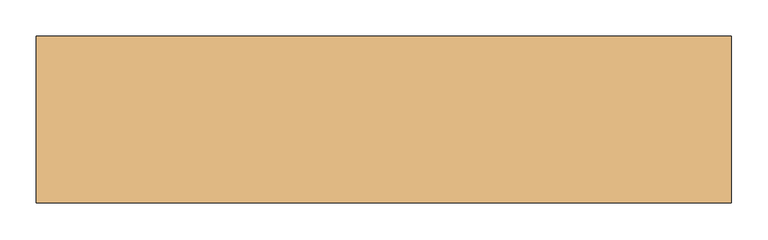
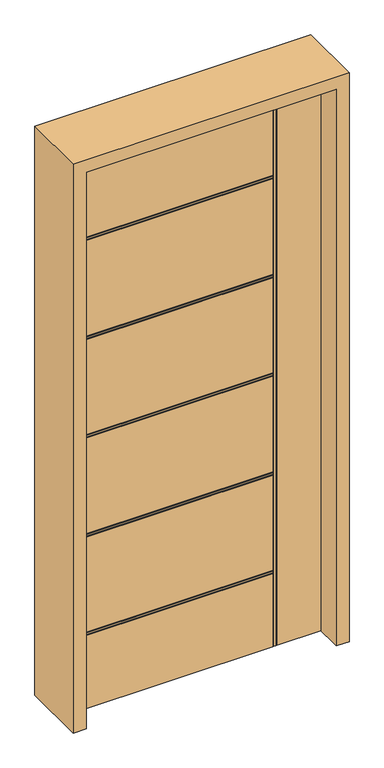
"""IFC4 building model written with IfcOpenShell, lengths in millimetres: door geometry."""

import ifcopenshell
import ifcopenshell.guid

model = None  # the IFC model being written
_history = None  # IfcOwnerHistory: only IFC2X3 demands one
_inside = {}  # id of a spatial element -> (the spatial element, [elements in it])
_under = {}  # id of a project, library or spatial element -> (it, [spatial elements below it])
_declared = {}  # id of a project -> (the project, [libraries it declares])
_typed = {}  # id of a type object -> (the type object, [elements of that type])
_made_of = {}  # id of a material, layer set ... -> (it, [elements and type objects made of it])


def new_model(schema):
    """Start an empty IFC model of exactly this schema.

    Asked for "IFC4X3", IfcOpenShell would pick the latest addendum, in which some entities
    have other attributes; the version numbers below select the first issue.
    IFC2X3 requires an IfcOwnerHistory on every rooted entity: one is made here for all.
    """
    global model, _history
    if schema == "IFC4X3":
        model = ifcopenshell.file(schema_version=(4, 3, 0, 0))
    else:
        model = ifcopenshell.file(schema=schema)
    _inside.clear()
    _under.clear()
    _declared.clear()
    _typed.clear()
    _made_of.clear()
    _history = None
    if model.schema == "IFC2X3":
        org = make("IfcOrganization", Name="unknown")
        user = make(
            "IfcPersonAndOrganization",
            ThePerson=make("IfcPerson", FamilyName="unknown"),
            TheOrganization=org,
        )
        app = make(
            "IfcApplication",
            ApplicationDeveloper=org,
            Version="unknown",
            ApplicationFullName="unknown",
            ApplicationIdentifier="unknown",
        )
        _history = make(
            "IfcOwnerHistory",
            OwningUser=user,
            OwningApplication=app,
            ChangeAction="ADDED",
            CreationDate=0,
        )
    return model


def make(cls, **values):
    """One entity of the class cls with the attributes given. An attribute that is None is left unset."""
    return model.create_entity(
        cls, **{name: value for name, value in values.items() if value is not None}
    )


def rooted(cls, **values):
    """An entity with a GlobalId (a new one), such as an element, a storey or a relation."""
    return make(cls, GlobalId=ifcopenshell.guid.new(), OwnerHistory=_history, **values)


def si_unit(unit_type, name, prefix=None):
    """IfcSIUnit, for example si_unit("LENGTHUNIT", "METRE", prefix="MILLI")."""
    return make("IfcSIUnit", UnitType=unit_type, Prefix=prefix, Name=name)


def assignment(units):
    """IfcUnitAssignment: the units of a project."""
    return None if units is None else make("IfcUnitAssignment", Units=units)


def point(xyz):
    """IfcCartesianPoint."""
    return None if xyz is None else make("IfcCartesianPoint", Coordinates=xyz)


def direction(xyz):
    """IfcDirection."""
    return None if xyz is None else make("IfcDirection", DirectionRatios=xyz)


def frame(location, z_axis=None, x_axis=None):
    """IfcAxis2Placement3D, a coordinate frame: its origin and axes. An axis left out is left unset."""
    return make(
        "IfcAxis2Placement3D",
        Location=point(location),
        Axis=direction(z_axis),
        RefDirection=direction(x_axis),
    )


def origin():
    """The frame at (0, 0, 0) with its axes left unset."""
    return frame((0.0, 0.0, 0.0))


def place(relative_to, where):
    """IfcLocalPlacement: puts the frame where relative to a parent placement (None: the world)."""
    return make(
        "IfcLocalPlacement", PlacementRelTo=relative_to, RelativePlacement=where
    )


def context(
    kind, dimensions, precision=None, world=None, true_north=None, identifier=None
):
    """IfcGeometricRepresentationContext, for example the 3D "Model" context."""
    return make(
        "IfcGeometricRepresentationContext",
        ContextIdentifier=identifier,
        ContextType=kind,
        CoordinateSpaceDimension=dimensions,
        Precision=precision,
        WorldCoordinateSystem=world,
        TrueNorth=true_north,
    )


def project(units=None, contexts=None):
    """IfcProject with its units and contexts."""
    return rooted(
        "IfcProject",
        Name="project",
        RepresentationContexts=contexts,
        UnitsInContext=assignment(units),
    )


def spatial(cls, under=None, at=None, **own):
    """A site, building, storey or space (cls), placed at a placement, below another one or the project."""
    s = rooted(cls, ObjectPlacement=at, **own)
    if under is not None:
        _under.setdefault(under.id(), (under, []))[1].append(s)
    return s


def polyline(points):
    """IfcPolyline through the points."""
    return make("IfcPolyline", Points=[point(p) for p in points])


def outline(outer, holes=None, kind="AREA"):
    """IfcArbitraryClosedProfileDef: a profile drawn as a closed curve; with holes, ...WithVoids."""
    if holes is None:
        return make("IfcArbitraryClosedProfileDef", ProfileType=kind, OuterCurve=outer)
    return make(
        "IfcArbitraryProfileDefWithVoids",
        ProfileType=kind,
        OuterCurve=outer,
        InnerCurves=holes,
    )


def extrude(swept, where, along, depth):
    """IfcExtrudedAreaSolid: the profile swept, set in the frame where, extruded along a direction by depth."""
    return make(
        "IfcExtrudedAreaSolid",
        SweptArea=swept,
        Position=where,
        ExtrudedDirection=direction(along),
        Depth=depth,
    )


def faces_of(points, faces, orient=None, outer=None):
    """IfcFace entities. A face is a list of loops; a loop is a list of indices into points, from 0.

    orient and outer hold one flag for each loop. By default every Orientation is true, the
    first loop of a face is its IfcFaceOuterBound and the others are IfcFaceBound.
    """
    made = []
    for i, loops in enumerate(faces):
        bounds = []
        for j, loop in enumerate(loops):
            is_outer = j == 0 if outer is None else outer[i][j]
            bounds.append(
                make(
                    "IfcFaceOuterBound" if is_outer else "IfcFaceBound",
                    Bound=make("IfcPolyLoop", Polygon=[points[k] for k in loop]),
                    Orientation=True if orient is None else orient[i][j],
                )
            )
        made.append(make("IfcFace", Bounds=bounds))
    return made


def faceted_brep(points, faces, orient=None, outer=None, voids=None):
    """IfcFacetedBrep: a solid bounded by flat faces; with voids (closed shells), ...WithVoids."""
    shared = [point(p) for p in points]
    hull = make("IfcClosedShell", CfsFaces=faces_of(shared, faces, orient, outer))
    if voids is None:
        return make("IfcFacetedBrep", Outer=hull)
    return make(
        "IfcFacetedBrepWithVoids",
        Outer=hull,
        Voids=[
            make(cls, CfsFaces=faces_of(shared, fs, o, b)) for cls, fs, o, b in voids
        ],
    )


def shape(context_of_items, identifier, shape_type, items):
    """IfcShapeRepresentation: the items that make up one representation, for example the "Body"."""
    return make(
        "IfcShapeRepresentation",
        ContextOfItems=context_of_items,
        RepresentationIdentifier=identifier,
        RepresentationType=shape_type,
        Items=items,
    )


def source(mapping_origin, context_of_items, identifier, shape_type, items):
    """IfcRepresentationMap: a shape defined once, which mapped items show again and again."""
    return make(
        "IfcRepresentationMap",
        MappingOrigin=mapping_origin,
        MappedRepresentation=shape(context_of_items, identifier, shape_type, items),
    )


def transform(
    local_origin,
    x_axis=None,
    y_axis=None,
    z_axis=None,
    scale=None,
    scale2=None,
    scale3=None,
    uniform=True,
):
    """IfcCartesianTransformationOperator3D, or its non-uniform kind. x_axis, y_axis, z_axis: its Axis1, 2, 3."""
    if uniform:
        return make(
            "IfcCartesianTransformationOperator3D",
            Axis1=direction(x_axis),
            Axis2=direction(y_axis),
            LocalOrigin=point(local_origin),
            Scale=scale,
            Axis3=direction(z_axis),
        )
    return make(
        "IfcCartesianTransformationOperator3DnonUniform",
        Axis1=direction(x_axis),
        Axis2=direction(y_axis),
        LocalOrigin=point(local_origin),
        Scale=scale,
        Axis3=direction(z_axis),
        Scale2=scale2,
        Scale3=scale3,
    )


def mapped(mapping_source, mapping_target):
    """IfcMappedItem: shows the shape of a source again, moved by a transform."""
    return make(
        "IfcMappedItem", MappingSource=mapping_source, MappingTarget=mapping_target
    )


def made_of(thing, what):
    """Note that an element or type object is made of a material, layer set ...; save() writes the relation."""
    if what is not None:
        _made_of.setdefault(what.id(), (what, []))[1].append(thing)
    return thing


def element(
    cls,
    number,
    at=None,
    inside=None,
    cuts=None,
    type_object=None,
    material=None,
    context=None,
    identifier="Body",
    shape_type=None,
    held_by="IfcProductDefinitionShape",
    body=None,
    shapes=None,
    **own,
):
    """One element of the class cls, such as IfcWall. Its Tag is "e" and its number.

    at: its placement. inside: the storey or other place that contains it. cuts: it is an
    opening in that element (IfcRelVoidsElement). A single representation is given by context,
    identifier, shape_type and body (its items); several are given by shapes. held_by: the class
    of the entity that holds the representations. save() writes the other relations.
    """
    e = rooted(cls, Tag="e%d" % number, ObjectPlacement=at, **own)
    if body is not None:
        shapes = [shape(context, identifier, shape_type, body)]
    if shapes is not None:
        e.Representation = make(held_by, Representations=shapes)
    if inside is not None:
        _inside.setdefault(inside.id(), (inside, []))[1].append(e)
    if cuts is not None:
        rooted(
            "IfcRelVoidsElement", RelatingBuildingElement=cuts, RelatedOpeningElement=e
        )
    if type_object is not None:
        _typed.setdefault(type_object.id(), (type_object, []))[1].append(e)
    return made_of(e, material)


def aggregate(whole, parts):
    """IfcRelAggregates: a whole, such as a stair, and the parts it consists of."""
    return rooted("IfcRelAggregates", RelatingObject=whole, RelatedObjects=parts)


def save(model, path):
    """Write the relations noted so far, then the file.

    IfcRelAggregates (storeys below a building ...), IfcRelContainedInSpatialStructure (elements
    in a storey), IfcRelDefinesByType, IfcRelAssociatesMaterial and IfcRelDeclares: one each for
    every whole, place, type object, material and project.
    """
    for whole, parts in _under.values():
        aggregate(whole, parts)
    for where, things in _inside.values():
        rooted(
            "IfcRelContainedInSpatialStructure",
            RelatedElements=things,
            RelatingStructure=where,
        )
    for kind, things in _typed.values():
        rooted("IfcRelDefinesByType", RelatedObjects=things, RelatingType=kind)
    for what, things in _made_of.values():
        rooted("IfcRelAssociatesMaterial", RelatedObjects=things, RelatingMaterial=what)
    for by, libraries in _declared.values():
        rooted("IfcRelDeclares", RelatingContext=by, RelatedDefinitions=libraries)
    model.write(path)


def door_f2bb6a2e(model_context):
    return source(origin(), model_context, "Body", "SolidModel", [
        faceted_brep([(-431.8, 22.225, 0.0), (266.7, 22.225, 0.0), (266.7, 18.923, 0.0), (270.002, 18.923, 0.0), (270.002, 22.225, 0.0), (276.098, 22.225, 0.0), (276.098, 18.923, 0.0), (279.4, 18.923, 0.0), (279.4, 22.225, 0.0), (431.8, 22.225, 0.0), (431.8, -22.225, 0.0), (279.4, -22.225, 0.0), (279.4, -18.923, 0.0), (276.098, -18.923, 0.0), (276.098, -22.225, 0.0), (270.002, -22.225, 0.0), (270.002, -18.923, 0.0), (266.7, -18.923, 0.0), (266.7, -22.225, 0.0), (-431.8, -22.225, 0.0), (-431.8, 22.225, 2032.0), (-431.8, 22.225, 1719.838), (-431.8, 18.923, 1719.838), (-431.8, 18.923, 1716.536), (-431.8, 22.225, 1716.536), (-431.8, 22.225, 1710.44), (-431.8, 18.923, 1710.44), (-431.8, 18.923, 1707.138), (-431.8, 22.225, 1707.138), (-431.8, 22.225, 1359.412), (-431.8, 18.923, 1359.412), (-431.8, 18.923, 1356.11), (-431.8, 22.225, 1356.11), (-431.8, 22.225, 1350.014), (-431.8, 18.923, 1350.014), (-431.8, 18.923, 1346.712), (-431.8, 22.225, 1346.712), (-431.8, 22.225, 998.986), (-431.8, 18.923, 998.986), (-431.8, 18.923, 995.684), (-431.8, 22.225, 995.684), (-431.8, 22.225, 989.588), (-431.8, 18.923, 989.588), (-431.8, 18.923, 986.286), (-431.8, 22.225, 986.286), (-431.8, 22.225, 638.56), (-431.8, 18.923, 638.56), (-431.8, 18.923, 635.258), (-431.8, 22.225, 635.258), (-431.8, 22.225, 629.162), (-431.8, 18.923, 629.162), (-431.8, 18.923, 625.86), (-431.8, 22.225, 625.86), (-431.8, 22.225, 278.134), (-431.8, 18.923, 278.134), (-431.8, 18.923, 274.832), (-431.8, 22.225, 274.832), (-431.8, 22.225, 268.736), (-431.8, 18.923, 268.736), (-431.8, 18.923, 265.434), (-431.8, 22.225, 265.434), (-431.8, -22.225, 265.434), (-431.8, -18.923, 265.434), (-431.8, -18.923, 268.736), (-431.8, -22.225, 268.736), (-431.8, -22.225, 274.832), (-431.8, -18.923, 274.832), (-431.8, -18.923, 278.134), (-431.8, -22.225, 278.134), (-431.8, -22.225, 625.86), (-431.8, -18.923, 625.86), (-431.8, -18.923, 629.162), (-431.8, -22.225, 629.162), (-431.8, -22.225, 635.258), (-431.8, -18.923, 635.258), (-431.8, -18.923, 638.56), (-431.8, -22.225, 638.56), (-431.8, -22.225, 986.286), (-431.8, -18.923, 986.286), (-431.8, -18.923, 989.588), (-431.8, -22.225, 989.588), (-431.8, -22.225, 995.684), (-431.8, -18.923, 995.684), (-431.8, -18.923, 998.986), (-431.8, -22.225, 998.986), (-431.8, -22.225, 1346.712), (-431.8, -18.923, 1346.712), (-431.8, -18.923, 1350.014), (-431.8, -22.225, 1350.014), (-431.8, -22.225, 1356.11), (-431.8, -18.923, 1356.11), (-431.8, -18.923, 1359.412), (-431.8, -22.225, 1359.412), (-431.8, -22.225, 1707.138), (-431.8, -18.923, 1707.138), (-431.8, -18.923, 1710.44), (-431.8, -22.225, 1710.44), (-431.8, -22.225, 1716.536), (-431.8, -18.923, 1716.536), (-431.8, -18.923, 1719.838), (-431.8, -22.225, 1719.838), (-431.8, -22.225, 2032.0), (266.7, -22.225, 1719.838), (266.7, -22.225, 2032.0), (266.7, -22.225, 265.434), (266.7, -22.225, 998.986), (266.7, -22.225, 1346.712), (266.7, -22.225, 989.588), (266.7, -22.225, 995.684), (266.7, -22.225, 638.56), (266.7, -22.225, 986.286), (266.7, -22.225, 629.162), (266.7, -22.225, 635.258), (266.7, -22.225, 278.134), (266.7, -22.225, 625.86), (266.7, -22.225, 268.736), (266.7, -22.225, 274.832), (270.002, -22.225, 2032.0), (276.098, -22.225, 2032.0), (266.7, -22.225, 1710.44), (266.7, -22.225, 1716.536), (266.7, -22.225, 1350.014), (266.7, -22.225, 1356.11), (266.7, -22.225, 1359.412), (266.7, -22.225, 1707.138), (431.8, -22.225, 2032.0), (279.4, -22.225, 2032.0), (431.8, 22.225, 2032.0), (279.4, 22.225, 2032.0), (266.7, 22.225, 265.434), (266.7, 22.225, 274.832), (266.7, 22.225, 268.736), (266.7, 22.225, 625.86), (266.7, 22.225, 278.134), (266.7, 22.225, 635.258), (266.7, 22.225, 629.162), (266.7, 22.225, 986.286), (266.7, 22.225, 638.56), (266.7, 22.225, 995.684), (266.7, 22.225, 989.588), (266.7, 22.225, 1346.712), (266.7, 22.225, 998.986), (266.7, 22.225, 2032.0), (266.7, 22.225, 1719.838), (276.098, 22.225, 2032.0), (270.002, 22.225, 2032.0), (266.7, 22.225, 1716.536), (266.7, 22.225, 1710.44), (266.7, 22.225, 1356.11), (266.7, 22.225, 1350.014), (266.7, 22.225, 1707.138), (266.7, 22.225, 1359.412), (279.4, 18.923, 2032.0), (276.098, 18.923, 2032.0), (270.002, 18.923, 2032.0), (266.7, 18.923, 2032.0), (266.7, -18.923, 2032.0), (270.002, -18.923, 2032.0), (276.098, -18.923, 2032.0), (279.4, -18.923, 2032.0), (266.7, -18.923, 265.434), (266.7, -18.923, 1719.838), (266.7, -18.923, 1716.536), (266.7, -18.923, 1710.44), (266.7, -18.923, 1707.138), (266.7, -18.923, 1359.412), (266.7, -18.923, 1356.11), (266.7, -18.923, 1350.014), (266.7, -18.923, 1346.712), (266.7, -18.923, 998.986), (266.7, -18.923, 995.684), (266.7, -18.923, 989.588), (266.7, -18.923, 986.286), (266.7, -18.923, 638.56), (266.7, -18.923, 635.258), (266.7, -18.923, 629.162), (266.7, -18.923, 625.86), (266.7, -18.923, 278.134), (266.7, -18.923, 274.832), (266.7, -18.923, 268.736), (266.7, 18.923, 265.434), (266.7, 18.923, 268.736), (266.7, 18.923, 274.832), (266.7, 18.923, 278.134), (266.7, 18.923, 625.86), (266.7, 18.923, 629.162), (266.7, 18.923, 635.258), (266.7, 18.923, 638.56), (266.7, 18.923, 986.286), (266.7, 18.923, 989.588), (266.7, 18.923, 995.684), (266.7, 18.923, 998.986), (266.7, 18.923, 1346.712), (266.7, 18.923, 1350.014), (266.7, 18.923, 1356.11), (266.7, 18.923, 1359.412), (266.7, 18.923, 1707.138), (266.7, 18.923, 1710.44), (266.7, 18.923, 1716.536), (266.7, 18.923, 1719.838)], [[[0, 1, 2, 3, 4, 5, 6, 7, 8, 9, 10, 11, 12, 13, 14, 15, 16, 17, 18, 19]], [[20, 21, 22, 23, 24, 25, 26, 27, 28, 29, 30, 31, 32, 33, 34, 35, 36, 37, 38, 39, 40, 41, 42, 43, 44, 45, 46, 47, 48, 49, 50, 51, 52, 53, 54, 55, 56, 57, 58, 59, 60, 0, 19, 61, 62, 63, 64, 65, 66, 67, 68, 69, 70, 71, 72, 73, 74, 75, 76, 77, 78, 79, 80, 81, 82, 83, 84, 85, 86, 87, 88, 89, 90, 91, 92, 93, 94, 95, 96, 97, 98, 99, 100, 101]], [[101, 100, 102, 103]], [[18, 104, 61, 19]], [[84, 105, 106, 85]], [[80, 107, 108, 81]], [[76, 109, 110, 77]], [[72, 111, 112, 73]], [[68, 113, 114, 69]], [[64, 115, 116, 65]], [[117, 15, 14, 118]], [[96, 119, 120, 97]], [[88, 121, 122, 89]], [[92, 123, 124, 93]], [[125, 126, 11, 10]], [[125, 10, 9, 127]], [[9, 8, 128, 127]], [[0, 60, 129, 1]], [[56, 130, 131, 57]], [[52, 132, 133, 53]], [[48, 134, 135, 49]], [[44, 136, 137, 45]], [[40, 138, 139, 41]], [[36, 140, 141, 37]], [[142, 143, 21, 20]], [[144, 5, 4, 145]], [[24, 146, 147, 25]], [[32, 148, 149, 33]], [[28, 150, 151, 29]], [[127, 128, 152, 153, 144, 145, 154, 155, 142, 20, 101, 103, 156, 157, 117, 118, 158, 159, 126, 125]], [[160, 104, 18, 17]], [[17, 16, 157, 156, 161, 99, 98, 162, 163, 95, 94, 164, 165, 91, 90, 166, 167, 87, 86, 168, 169, 83, 82, 170, 171, 79, 78, 172, 173, 75, 74, 174, 175, 71, 70, 176, 177, 67, 66, 178, 179, 63, 62, 160]], [[13, 12, 159, 158]], [[16, 15, 117, 157]], [[158, 118, 14, 13]], [[12, 11, 126, 159]], [[62, 61, 104, 160]], [[66, 65, 116, 178]], [[178, 116, 115, 179]], [[179, 115, 64, 63]], [[70, 69, 114, 176]], [[176, 114, 113, 177]], [[177, 113, 68, 67]], [[74, 73, 112, 174]], [[174, 112, 111, 175]], [[175, 111, 72, 71]], [[78, 77, 110, 172]], [[172, 110, 109, 173]], [[173, 109, 76, 75]], [[82, 81, 108, 170]], [[170, 108, 107, 171]], [[171, 107, 80, 79]], [[168, 106, 105, 169]], [[169, 105, 84, 83]], [[164, 124, 123, 165]], [[94, 93, 124, 164]], [[163, 119, 96, 95]], [[162, 120, 119, 163]], [[98, 97, 120, 162]], [[161, 102, 100, 99]], [[156, 103, 102, 161]], [[86, 85, 106, 168]], [[167, 121, 88, 87]], [[166, 122, 121, 167]], [[90, 89, 122, 166]], [[165, 123, 92, 91]], [[152, 128, 8, 7]], [[7, 6, 153, 152]], [[3, 2, 180, 59, 58, 181, 182, 55, 54, 183, 184, 51, 50, 185, 186, 47, 46, 187, 188, 43, 42, 189, 190, 39, 38, 191, 192, 35, 34, 193, 194, 31, 30, 195, 196, 27, 26, 197, 198, 23, 22, 199, 155, 154]], [[6, 5, 144, 153]], [[154, 145, 4, 3]], [[2, 1, 129, 180]], [[180, 129, 60, 59]], [[58, 57, 131, 181]], [[181, 131, 130, 182]], [[182, 130, 56, 55]], [[54, 53, 133, 183]], [[183, 133, 132, 184]], [[184, 132, 52, 51]], [[50, 49, 135, 185]], [[185, 135, 134, 186]], [[186, 134, 48, 47]], [[46, 45, 137, 187]], [[187, 137, 136, 188]], [[188, 136, 44, 43]], [[42, 41, 139, 189]], [[189, 139, 138, 190]], [[190, 138, 40, 39]], [[38, 37, 141, 191]], [[191, 141, 140, 192]], [[195, 151, 150, 196]], [[196, 150, 28, 27]], [[26, 25, 147, 197]], [[197, 147, 146, 198]], [[198, 146, 24, 23]], [[22, 21, 143, 199]], [[199, 143, 142, 155]], [[192, 140, 36, 35]], [[34, 33, 149, 193]], [[193, 149, 148, 194]], [[194, 148, 32, 31]], [[30, 29, 151, 195]]]),
        extrude(outline(polyline([(0.0, -431.8), (2032.0, -431.8), (2032.0, 431.8), (0.0, 431.8), (0.0, 476.25), (2076.45, 476.25), (2076.45, -476.25), (0.0, -476.25), (0.0, -431.8)])), frame((0.0, -114.3, 0.0), z_axis=(0.0, 1.0, 0.0), x_axis=(0.0, 0.0, 1.0)), (0.0, 0.0, 1.0), 228.6),
    ])


if __name__ == "__main__":
    model = new_model("IFC4")
    model_context = context("Model", 3, world=origin())
    ifc_project = project(units=[si_unit("LENGTHUNIT", "METRE", prefix="MILLI")], contexts=[model_context])
    site = spatial("IfcSite", under=ifc_project)
    building = spatial("IfcBuilding", under=site)
    placement = place(None, origin())
    door_shape = door_f2bb6a2e(model_context)
    element("IfcDoor", 1, at=placement, inside=building, context=model_context, shape_type="MappedRepresentation", body=[
        mapped(door_shape, transform((0.0, 0.0, 0.0), x_axis=(1.0, 0.0, 0.0), y_axis=(0.0, 1.0, 0.0), z_axis=(0.0, 0.0, 1.0))),
    ])
    save(model, "model.ifc")
